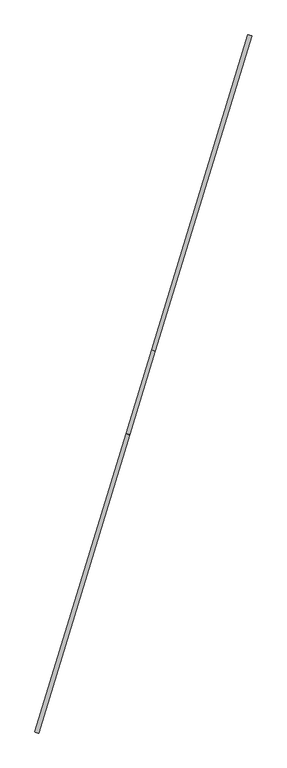
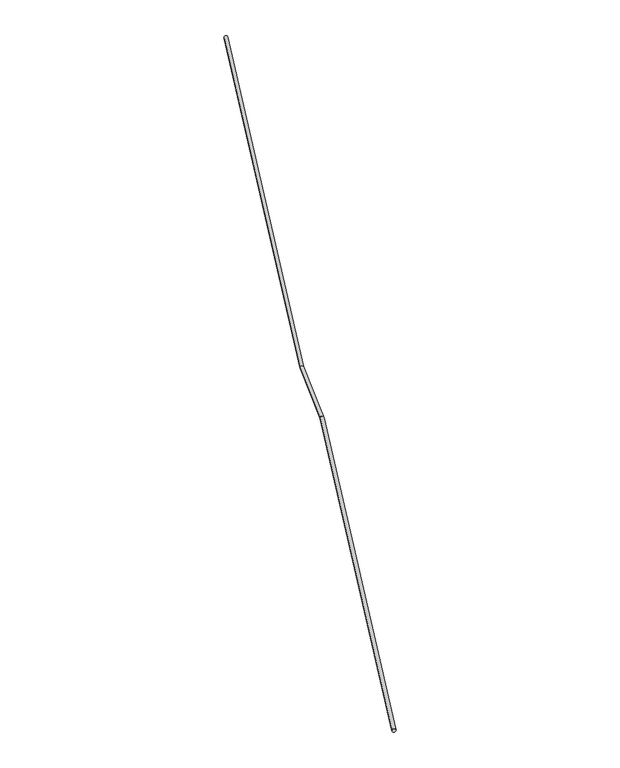
"""IFC4 building model written with IfcOpenShell, lengths in millimetres: railing geometry."""

from ifc_helpers import new_model, si_unit, frame, origin, place, context, project, spatial, ellipse_curve, source, transform, mapped, element, save
from ifc_brep_helpers import plane_surface, cylinder_surface, advanced_brep


def railing_66f35365(model_context):
    return source(origin(), model_context, "Body", "AdvancedBrep", [
        advanced_brep(
        [(-76656.021377, -25214.936946, -5095.9897827), (-76694.2735672, -25203.2420778, -5095.9897827), (-75716.6313876, -22142.3307396, -3454.125), (-75754.8835779, -22130.6358714, -3454.125), (-75453.5220742, -21281.7389526, -3454.125), (-75491.7742644, -21270.0440844, -3454.125), (-74463.2335915, -18042.6512762, -1723.2998871), (-74501.4857818, -18030.956408, -1723.2998871)],
        [
            (0, 1, ellipse_curve(frame((-76675.1474721, -25209.0895119, -5095.9897827), z_axis=(-0.29237170472274315, -0.9563047559630335, 0.0), x_axis=(0.0, 0.0, -1.0)), 22.4599919, 20.0)),
            (1, 0, ellipse_curve(frame((-76675.1474721, -25209.0895119, -5095.9897827), z_axis=(-0.29237170472274315, -0.9563047559630335, 0.0), x_axis=(0.0, 0.0, -1.0)), 22.4599919, 20.0)),
            (0, 2),
            (2, 3, ellipse_curve(frame((-75735.7574828, -22136.4833055, -3454.125), z_axis=(-0.28425328857880805, -0.9297506132607078, -0.23401680510909953), x_axis=(0.06841989224350806, 0.2237913837011081, -0.9722325518755943)), 20.57121, 20.0)),
            (3, 1),
            (3, 2, ellipse_curve(frame((-75735.7574828, -22136.4833055, -3454.125), z_axis=(-0.28425328857880805, -0.9297506132607078, -0.23401680510909953), x_axis=(0.06841989224350806, 0.2237913837011081, -0.9722325518755943)), 20.57121, 20.0)),
            (2, 4),
            (4, 5, ellipse_curve(frame((-75472.6481693, -21275.8915185, -3454.125), z_axis=(-0.2842532885788079, -0.9297506132607078, -0.23401680510910058), x_axis=(-0.06841989224350895, -0.22379138370110901, 0.9722325518755939)), 20.57121, 20.0)),
            (5, 3),
            (5, 4, ellipse_curve(frame((-75472.6481693, -21275.8915185, -3454.125), z_axis=(-0.2842532885788079, -0.9297506132607078, -0.23401680510910058), x_axis=(-0.06841989224350895, -0.22379138370110901, 0.9722325518755939)), 20.57121, 20.0)),
            (6, 7, ellipse_curve(frame((-74482.3596867, -18036.8038421, -1723.2998871), z_axis=(0.292371704722743, 0.9563047559630335, 0.0), x_axis=(0.0, 0.0, -1.0)), 22.4599919, 20.0)),
            (7, 6, ellipse_curve(frame((-74482.3596867, -18036.8038421, -1723.2998871), z_axis=(0.292371704722743, 0.9563047559630335, 0.0), x_axis=(0.0, 0.0, -1.0)), 22.4599919, 20.0)),
            (4, 6),
            (7, 5),
        ],
        [
            plane_surface(frame((-76675.1474721, -25209.0895119, -5095.9897827), z_axis=(-0.29237170472274315, -0.9563047559630335, 0.0), x_axis=(0.9563047559630335, -0.29237170472274315, 0.0))),
            cylinder_surface(frame((-76675.1474721, -25209.0895119, -5095.9897827), z_axis=(-0.2603488955452696, -0.8515628667136786, -0.455037511225987), x_axis=(-0.9563047559630335, 0.29237170472274315, 0.0)), 20.0),
            cylinder_surface(frame((-75735.7574828, -22136.4833055, -3454.125), z_axis=(-0.29237170472273893, -0.9563047559630349, 0.0), x_axis=(-0.9563047559630349, 0.29237170472273893, 0.0)), 20.0),
            plane_surface(frame((-74482.3596867, -18036.8038421, -1723.2998871), z_axis=(0.292371704722743, 0.9563047559630335, 0.0), x_axis=(0.9563047559630335, -0.292371704722743, 0.0))),
            cylinder_surface(frame((-75472.6481693, -21275.8915185, -3454.125), z_axis=(-0.26034889554526913, -0.8515628667136778, -0.45503751122598884), x_axis=(-0.9563047559630337, 0.29237170472274304, 0.0)), 20.0),
        ],
        [
            (0, [[1, 2]]),
            (1, [[-1, 3, 4, 5]]),
            (1, [[-2, -5, 6, -3]]),
            (2, [[-4, 7, 8, 9]]),
            (2, [[-6, -9, 10, -7]]),
            (3, [[11, 12]]),
            (4, [[-8, 13, -12, 14]]),
            (4, [[-10, -14, -11, -13]]),
        ],
    ),
    ])


if __name__ == "__main__":
    model = new_model("IFC4")
    model_context = context("Model", 3, world=origin())
    ifc_project = project(units=[si_unit("LENGTHUNIT", "METRE", prefix="MILLI")], contexts=[model_context])
    site = spatial("IfcSite", under=ifc_project)
    building = spatial("IfcBuilding", under=site)
    placement = place(None, origin())
    railing_shape = railing_66f35365(model_context)
    element("IfcRailing", 1, at=placement, inside=building, context=model_context, shape_type="MappedRepresentation", body=[
        mapped(railing_shape, transform((0.0, 0.0, 0.0), x_axis=(1.0, 0.0, 0.0), y_axis=(0.0, 1.0, 0.0), z_axis=(0.0, 0.0, 1.0))),
    ])
    save(model, "model.ifc")
